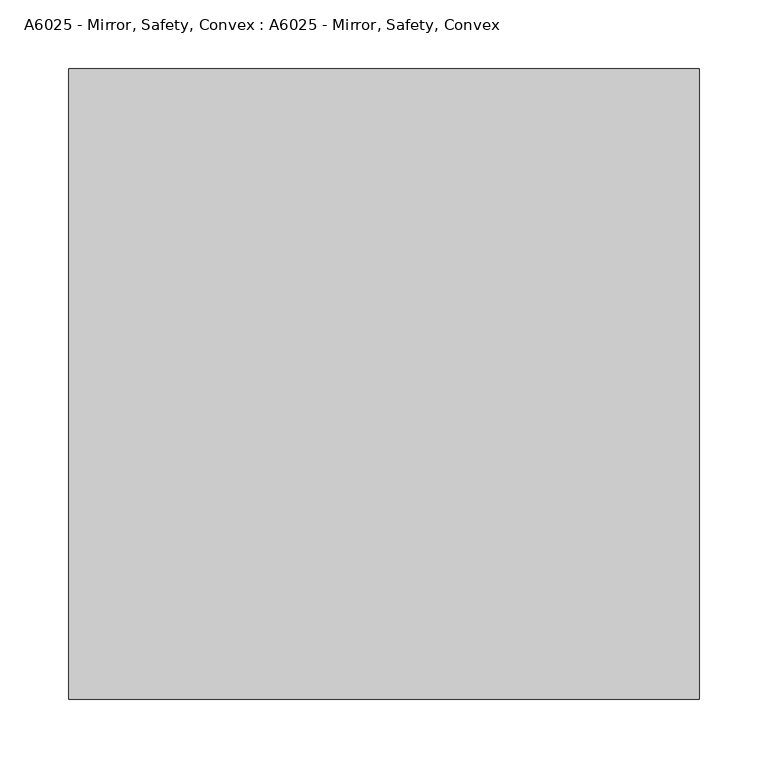
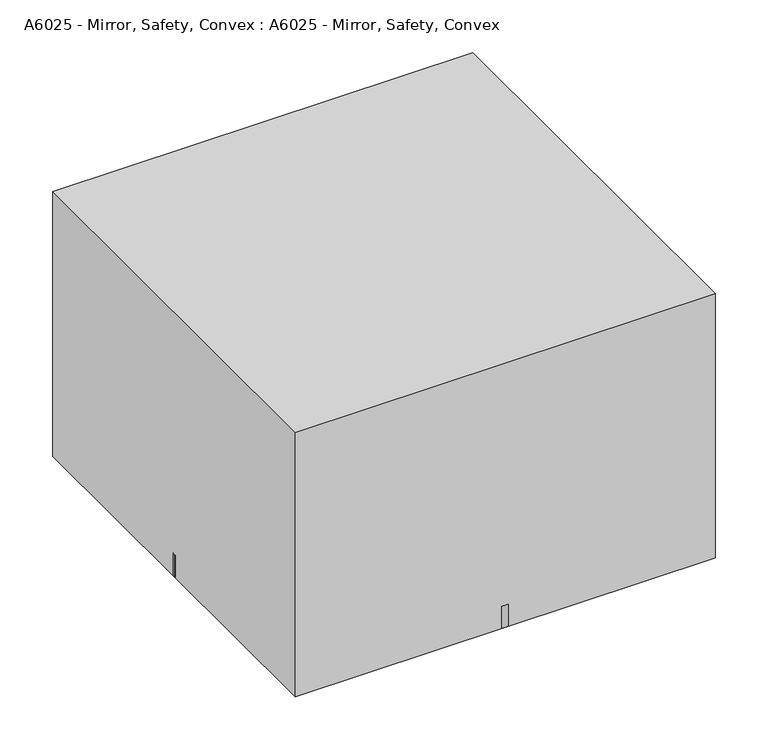
"""IFC4 building model written with IfcOpenShell, lengths in millimetres: proxy geometry, A6025 - Mirror, Safety, Convex : A6025 - Mirror, Safety, Convex."""

from ifc_helpers import new_model, si_unit, point, frame, frame_2d, origin, origin_with_axes, place, context, project, spatial, polyline, circle_curve, ellipse_curve, trimmed, segment, composite_curve, outline, extrude, source, transform, mapped, element, save
from ifc_brep_helpers import plane_surface, revolved_surface, advanced_brep


def a6025_mirror_safety_convex_a6025_mirror_safety_convex_4908c988(model_context):
    return source(origin(), model_context, "Body", "SolidModel", [
        advanced_brep(
        [(0.0, -228.6, 25.4), (0.0, -444.5, 25.4), (0.0, -12.7, 25.4), (0.0, -228.6, 127.0)],
        [
            (0, 1),
            (1, 2, circle_curve(frame((0.0, -228.6, 25.4), z_axis=(0.0, 0.0, -1.0), x_axis=(0.0, 1.0, 0.0)), 215.9)),
            (2, 0),
            (2, 1, circle_curve(frame((0.0, -228.6, 25.4), z_axis=(0.0, 0.0, -1.0), x_axis=(0.0, 1.0, 0.0)), 215.9)),
            (1, 3, circle_curve(frame((0.0, -240.4330428, -128.0485341), z_axis=(-1.0, 0.0, 0.0), x_axis=(0.0, 1.0, 0.0)), 255.3228851)),
            (3, 2, circle_curve(frame((0.0, -216.7669572, -128.0485341), z_axis=(-1.0, 0.0, 0.0), x_axis=(0.0, -1.0, 0.0)), 255.3228851)),
        ],
        [
            plane_surface(frame((0.0, -228.6, 25.4), z_axis=(0.0, 0.0, -1.0), x_axis=(0.0, 1.0, 0.0))),
            revolved_surface(trimmed(ellipse_curve(frame((0.0, -216.7669572, -128.0485341), z_axis=(-1.0, 0.0, 0.0), x_axis=(0.0, -1.0, 0.0)), 255.3228851, 255.3228851), [point((0.0, -228.6, 127.0))], [point((0.0, -12.7, 25.4))], True, "CARTESIAN"), (0.0, -228.6, 190.5), (0.0, 0.0, -1.0)),
        ],
        [
            (0, [[1, 2, 3]]),
            (0, [[-3, 4, -1]]),
            (1, [[5, 6, -2]]),
            (1, [[-6, -5, -4]]),
        ],
    ),
        extrude(outline(composite_curve([segment(trimmed(circle_curve(frame_2d((0.0, -228.6)), 228.6), [point((-228.6, -228.6))], [point((228.6, -228.6))], False, "CARTESIAN"), True, "CONTINUOUS"), segment(trimmed(circle_curve(frame_2d((0.0, -228.6)), 228.6), [point((228.6, -228.6))], [point((-228.6, -228.6))], False, "CARTESIAN"), True, "CONTINUOUS")], self_intersect=False)), origin_with_axes(), (0.0, 0.0, 1.0), 25.4),
        extrude(outline(polyline([(228.6, -457.2), (-228.6, -457.2), (-228.6, 0.0), (228.6, 0.0), (228.6, -457.2)])), origin_with_axes(), (0.0, 0.0, 1.0), 304.8),
    ])


if __name__ == "__main__":
    model = new_model("IFC4")
    model_context = context("Model", 3, world=origin())
    ifc_project = project(units=[si_unit("LENGTHUNIT", "METRE", prefix="MILLI")], contexts=[model_context])
    site = spatial("IfcSite", under=ifc_project)
    building = spatial("IfcBuilding", under=site)
    placement = place(None, origin())
    a6025_mirror_safety_convex_a6025_mirror_safety_convex_shape = a6025_mirror_safety_convex_a6025_mirror_safety_convex_4908c988(model_context)
    element("IfcBuildingElementProxy", 1, Name="A6025 - Mirror, Safety, Convex : A6025 - Mirror, Safety, Convex", ObjectType="A6025 - Mirror, Safety, Convex : A6025 - Mirror, Safety, Convex", at=placement, inside=building, context=model_context, shape_type="MappedRepresentation", body=[
        mapped(a6025_mirror_safety_convex_a6025_mirror_safety_convex_shape, transform((0.0, 0.0, 0.0), x_axis=(1.0, 0.0, 0.0), y_axis=(0.0, 1.0, 0.0), z_axis=(0.0, 0.0, 1.0))),
    ])
    save(model, "model.ifc")
